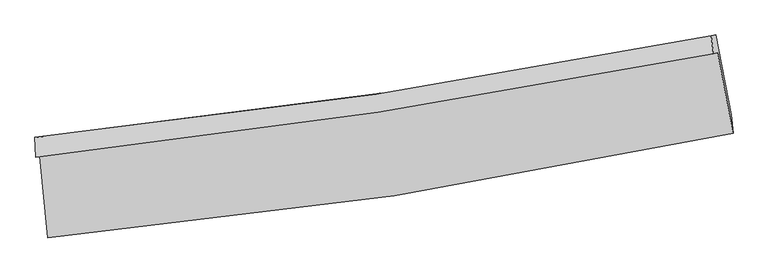
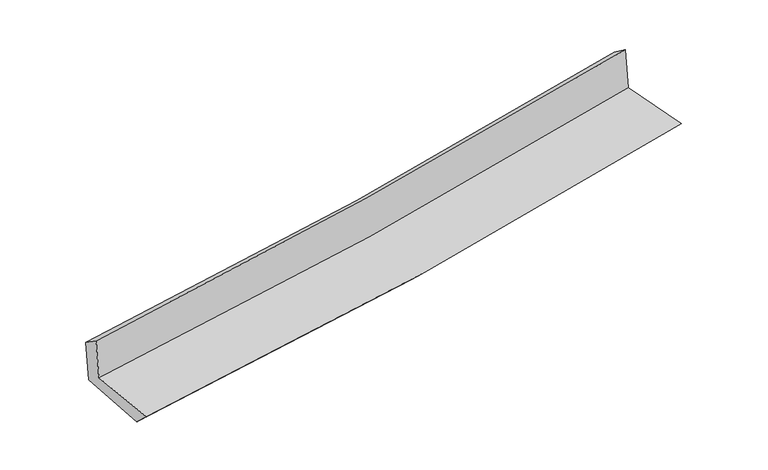
"""IFC4 building model written with IfcOpenShell, lengths in millimetres: proxy geometry."""

from ifc_helpers import new_model, si_unit, frame, origin, place, context, project, spatial, source, transform, mapped, element, save
from ifc_brep_helpers import plane_surface, spline_curve, spline_surface, advanced_brep


def generic_models_e5d15ddc(model_context):
    return source(origin(), model_context, "Body", "AdvancedBrep", [
        advanced_brep(
        [(-2753.9692906, -1899.1863348, 1664.4187564), (-2687.5931355, -2556.0833823, 1650.7313406), (2814.4186666, -1716.2937176, 2127.6665437), (2690.6139577, -1068.0188594, 2134.2194419), (-2786.7051618, -1909.5681764, 2050.2400419), (2656.6726129, -1078.9298393, 2529.0395192), (-2792.6242273, -1750.2860294, 1937.2891433), (2638.4620186, -932.1362624, 2422.8327854), (-2759.5611446, -1745.0023714, 1553.5090305), (2673.73722, -926.5136828, 2024.4084382), (-2690.3304453, -2404.7174327, 1510.3995271), (2799.1040145, -1568.2194172, 1987.0442269)],
        [
            (0, 1),
            (1, 2, spline_curve(3, [(-2687.5931355, -2556.0833823, 1650.7313406), (-1756.679450426, -2471.149234123, 1732.713218196), (-829.939470802, -2358.100051838, 1813.685985217), (1003.963475738, -2077.489889402, 1972.639969991), (1911.227430339, -1910.609183144, 2050.645603893), (2814.4186666, -1716.2937176, 2127.6665437)], [4, 2, 4], [0.0, 9.175051142518457, 18.238422327542295])),
            (2, 3),
            (3, 0, spline_curve(3, [(2690.6139577, -1068.0188594, 2134.2194419), (1795.598707921, -1243.543357103, 2045.2112354), (897.175061761, -1400.261304091, 1961.762551423), (-917.601506013, -1677.78345784, 1805.024468695), (-1834.038942726, -1798.121335922, 1731.872924078), (-2753.9692906, -1899.1863348, 1664.4187564)], [4, 2, 4], [0.0, 9.063371185023838, 18.238422327542295])),
            (4, 0),
            (3, 5),
            (5, 4, spline_curve(3, [(2656.6726129, -1078.9298393, 2529.0395192), (1761.305144489, -1254.658397566, 2445.172895649), (862.803540374, -1411.435443263, 2363.570001411), (-951.578003764, -1688.784812047, 2203.914043984), (-1867.535657918, -1808.887212069, 2125.917112674), (-2786.7051618, -1909.5681764, 2050.2400419)], [4, 2, 4], [0.0, 9.014217289347146, 18.139508855932878])),
            (6, 4),
            (5, 7),
            (7, 6, spline_curve(3, [(2638.4620186, -932.1362624, 2422.8327854), (1745.449901064, -1108.949489771, 2337.656515747), (849.144971944, -1265.244182866, 2254.839636457), (-961.13546106, -1538.469551009, 2092.933252222), (-1875.19261406, -1654.891446784, 2013.902250711), (-2792.6242273, -1750.2860294, 1937.2891433)], [4, 2, 4], [0.0, 9.003051325943838, 18.117039340772788])),
            (8, 6),
            (7, 9),
            (9, 8, spline_curve(3, [(2673.73722, -926.5136828, 2024.4084382), (1779.917671372, -1103.460186792, 1946.650482498), (883.024462189, -1259.849824913, 1868.770925987), (-927.998778162, -1533.18911756, 1711.807471906), (-1842.20502373, -1649.629042303, 1632.720559063), (-2759.5611446, -1745.0023714, 1553.5090305)], [4, 2, 4], [0.0, 8.993106757631685, 18.097027665973258])),
            (10, 8),
            (9, 11),
            (11, 10, spline_curve(3, [(2799.1040145, -1568.2194172, 1987.0442269), (1898.154523407, -1761.655147191, 1907.525845114), (993.053620571, -1927.822336876, 1828.287756935), (-836.654927531, -2207.331161303, 1669.399239955), (-1761.365510907, -2319.996643743, 1589.755761666), (-2690.3304453, -2404.7174327, 1510.3995271)], [4, 2, 4], [0.0, 9.042523935271916, 18.196470945701996])),
            (1, 10),
            (11, 2),
        ],
        [
            spline_surface(3, 3, [[(-2753.9692906, -1899.1863348, 1664.4187564), (-1834.038942853, -1798.121335941, 1731.872924152), (-917.601506093, -1677.78345787, 1805.024468636), (897.17506184, -1400.26130406, 1961.762551481), (1795.598707809, -1243.543357001, 2045.211235497), (2690.6139577, -1068.0188594, 2134.2194419)], [(-2731.843905543, -2118.152017285, 1659.85628448), (-1808.252445314, -2022.463968662, 1732.153022209), (-888.380827658, -1904.555655896, 1807.911640875), (932.771199828, -1626.004165805, 1965.388357596), (1834.141615313, -1465.898632405, 2047.022691603), (2731.882193997, -1284.110478776, 2132.035142501)], [(-2709.718520557, -2337.117699815, 1655.29381252), (-1782.465947846, -2246.806601428, 1732.433120225), (-859.160149262, -2131.327853921, 1810.798813131), (968.367337776, -1851.747027549, 1969.014163727), (1872.684522826, -1688.25390788, 2048.834147704), (2773.150430303, -1500.202098224, 2129.850843099)], [(-2687.5931355, -2556.0833823, 1650.7313406), (-1756.679450307, -2471.149234149, 1732.713218281), (-829.939470827, -2358.100051948, 1813.685985369), (1003.963475763, -2077.489889294, 1972.639969841), (1911.22743033, -1910.609183283, 2050.64560381), (2814.4186666, -1716.2937176, 2127.6665437)]], [4, 4], [4, 2, 4], [0.0, 2.249904456297446], [0.0, 9.175051142518457, 18.238422327542295]),
            spline_surface(3, 3, [[(-2786.7051618, -1909.5681764, 2050.2400419), (-1867.535657813, -1808.887212173, 2125.917112629), (-951.578003687, -1688.784812095, 2203.914044005), (862.803540298, -1411.435443215, 2363.570001391), (1761.30514437, -1254.658397622, 2445.172895744), (2656.6726129, -1078.9298393, 2529.0395192)], [(-2775.793204739, -1906.10756254, 1921.632946731), (-1856.370086166, -1805.298586769, 1994.569049802), (-940.252504512, -1685.117694006, 2070.950852209), (874.260714122, -1407.71073015, 2229.634184748), (1772.736332179, -1250.953384101, 2311.852342308), (2667.986394495, -1075.292846019, 2397.432826746)], [(-2764.881247661, -1902.64694866, 1793.025851569), (-1845.2045145, -1801.709961345, 1863.22098698), (-928.927005268, -1681.45057596, 1937.987660431), (885.717888016, -1403.986017126, 2095.698368124), (1784.16752, -1247.248370523, 2178.531788934), (2679.300176105, -1071.655852681, 2265.826134354)], [(-2753.9692906, -1899.1863348, 1664.4187564), (-1834.038942853, -1798.121335941, 1731.872924152), (-917.601506093, -1677.78345787, 1805.024468636), (897.17506184, -1400.26130406, 1961.762551481), (1795.598707809, -1243.543357001, 2045.211235497), (2690.6139577, -1068.0188594, 2134.2194419)]], [4, 4], [4, 2, 4], [0.0, 1.3186974057938996], [0.0, 9.125291566585732, 18.139508855932878]),
            spline_surface(3, 3, [[(-2792.6242273, -1750.2860294, 1937.2891433), (-1875.192614099, -1654.891446906, 2013.902250676), (-961.135461141, -1538.469551002, 2092.933252178), (849.144972025, -1265.244182873, 2254.839636501), (1745.449901024, -1108.949489731, 2337.65651571), (2638.4620186, -932.1362624, 2422.8327854)], [(-2790.651205478, -1803.38007842, 1974.939442828), (-1872.640295348, -1706.223368682, 2051.240537989), (-957.949641985, -1588.57463804, 2129.926849462), (853.697828121, -1313.974602995, 2291.083091473), (1750.734982142, -1157.519125677, 2373.495309074), (2644.532216702, -981.067454683, 2458.235030019)], [(-2788.678183622, -1856.47412738, 2012.589742372), (-1870.087976564, -1757.555290397, 2088.578825317), (-954.763822844, -1638.679725057, 2166.920446721), (858.250684202, -1362.705023094, 2327.326546419), (1756.020063253, -1206.088761676, 2409.33410238), (2650.602414798, -1029.998647017, 2493.637274581)], [(-2786.7051618, -1909.5681764, 2050.2400419), (-1867.535657813, -1808.887212173, 2125.917112629), (-951.578003687, -1688.784812095, 2203.914044005), (862.803540298, -1411.435443215, 2363.570001391), (1761.30514437, -1254.658397622, 2445.172895744), (2656.6726129, -1078.9298393, 2529.0395192)]], [4, 4], [4, 2, 4], [0.0, 0.6066627654568246], [0.0, 9.11398801482895, 18.117039340772788]),
            spline_surface(3, 3, [[(-2759.5611446, -1745.0023714, 1553.5090305), (-1842.205023771, -1649.629042191, 1632.72055914), (-927.998778056, -1533.189117483, 1711.807471937), (883.024462084, -1259.84982499, 1868.770925957), (1779.917671246, -1103.46018683, 1946.65048238), (2673.73722, -926.5136828, 2024.4084382)], [(-2770.582172176, -1746.763590706, 1681.435734758), (-1853.200887223, -1651.383177069, 1759.781122976), (-939.044339066, -1534.949261976, 1838.849398689), (871.73129875, -1261.647944272, 1997.460496144), (1768.428414506, -1105.289954458, 2076.985826802), (2661.978819533, -928.387875995, 2157.216553912)], [(-2781.603199724, -1748.524810094, 1809.362439042), (-1864.196750647, -1653.137312029, 1886.84168684), (-950.089900132, -1536.709406508, 1965.891325426), (860.438135359, -1263.446063591, 2126.150066315), (1756.939157765, -1107.119722102, 2207.321171288), (2650.220419067, -930.262069205, 2290.024669688)], [(-2792.6242273, -1750.2860294, 1937.2891433), (-1875.192614099, -1654.891446906, 2013.902250676), (-961.135461141, -1538.469551002, 2092.933252178), (849.144972025, -1265.244182873, 2254.839636501), (1745.449901024, -1108.949489731, 2337.65651571), (2638.4620186, -932.1362624, 2422.8327854)]], [4, 4], [4, 2, 4], [0.0, 1.2633355849194532], [0.0, 9.103920908341573, 18.097027665973258]),
            spline_surface(3, 3, [[(-2690.3304453, -2404.7174327, 1510.3995271), (-1761.365510922, -2319.996643618, 1589.755761698), (-836.654927413, -2207.331161423, 1669.399240058), (993.053620455, -1927.822336758, 1828.287756834), (1898.154523539, -1761.655147138, 1907.525845085), (2799.1040145, -1568.2194172, 1987.0442269)], [(-2713.407345066, -2184.812412282, 1524.769361578), (-1788.312015204, -2096.540776491, 1604.077360857), (-867.102877629, -1982.617146798, 1683.535317343), (956.377234329, -1705.164832857, 1841.782146534), (1858.742239434, -1542.256827061, 1920.567390874), (2757.315082992, -1354.317505759, 1999.498964024)], [(-2736.484244834, -1964.907391818, 1539.139196022), (-1815.258519488, -1873.084909317, 1618.398959981), (-897.55082784, -1757.903132107, 1697.671394651), (919.70084821, -1482.50732889, 1855.276536257), (1819.329955351, -1322.858506906, 1933.608936591), (2715.526151508, -1140.415594241, 2011.953701076)], [(-2759.5611446, -1745.0023714, 1553.5090305), (-1842.205023771, -1649.629042191, 1632.72055914), (-927.998778056, -1533.189117483, 1711.807471937), (883.024462084, -1259.84982499, 1868.770925957), (1779.917671246, -1103.46018683, 1946.65048238), (2673.73722, -926.5136828, 2024.4084382)]], [4, 4], [4, 2, 4], [0.0, 2.2304909838643185], [0.0, 9.15394701043008, 18.196470945701996]),
            spline_surface(3, 3, [[(-2687.5931355, -2556.0833823, 1650.7313406), (-1756.679450307, -2471.149234149, 1732.713218281), (-829.939470827, -2358.100051948, 1813.685985369), (1003.963475763, -2077.489889294, 1972.639969841), (1911.22743033, -1910.609183283, 2050.64560381), (2814.4186666, -1716.2937176, 2127.6665437)], [(-2688.505572097, -2505.628065767, 1603.954069425), (-1758.24147051, -2420.765037305, 1685.060732745), (-832.177956367, -2307.843755103, 1765.590403605), (1000.326857315, -2027.600705112, 1924.522565511), (1906.869794746, -1860.957837903, 2002.939017566), (2809.31378258, -1666.935617468, 2080.792438098)], [(-2689.418008703, -2455.172749233, 1557.176798275), (-1759.80349072, -2370.380840461, 1637.408247234), (-834.416441872, -2257.587458268, 1717.494821822), (996.690238903, -1977.711520939, 1876.405161164), (1902.512159123, -1811.306492519, 1955.232431328), (2804.20889852, -1617.577517332, 2033.918332502)], [(-2690.3304453, -2404.7174327, 1510.3995271), (-1761.365510922, -2319.996643618, 1589.755761698), (-836.654927413, -2207.331161423, 1669.399240058), (993.053620455, -1927.822336758, 1828.287756834), (1898.154523539, -1761.655147138, 1907.525845085), (2799.1040145, -1568.2194172, 1987.0442269)]], [4, 4], [4, 2, 4], [0.0, 0.6840586613547246], [0.0, 9.213999587793573, 18.31584513237407]),
            plane_surface(frame((2712.1680817, -1215.0186298, 2204.2018259), z_axis=(0.9784936125807482, 0.18596621971975974, 0.08925701799757305), x_axis=(-0.08818306714307884, -0.014055662148108392, 0.9960051129541543))),
            plane_surface(frame((-2745.1305675, -2044.1406212, 1727.76464), z_axis=(-0.9913611759895494, -0.09836428467132112, -0.08676108714001513), x_axis=(-0.10051147079771777, 0.9947199899298307, 0.020726453437024964))),
        ],
        [
            (0, [[1, 2, 3, 4]]),
            (1, [[5, -4, 6, 7]]),
            (2, [[8, -7, 9, 10]]),
            (3, [[11, -10, 12, 13]]),
            (4, [[14, -13, 15, 16]]),
            (5, [[17, -16, 18, -2]]),
            (6, [[-12, -9, -6, -3, -18, -15]]),
            (7, [[-1, -5, -8, -11, -14, -17]]),
        ],
    ),
    ])


if __name__ == "__main__":
    model = new_model("IFC4")
    model_context = context("Model", 3, world=origin())
    ifc_project = project(units=[si_unit("LENGTHUNIT", "METRE", prefix="MILLI")], contexts=[model_context])
    site = spatial("IfcSite", under=ifc_project)
    building = spatial("IfcBuilding", under=site)
    placement = place(None, origin())
    generic_models_shape = generic_models_e5d15ddc(model_context)
    element("IfcBuildingElementProxy", 1, Name="Generic Models", at=placement, inside=building, context=model_context, shape_type="MappedRepresentation", body=[
        mapped(generic_models_shape, transform((0.0, 0.0, 0.0), x_axis=(1.0, 0.0, 0.0), y_axis=(0.0, 1.0, 0.0), z_axis=(0.0, 0.0, 1.0))),
    ])
    save(model, "model.ifc")
